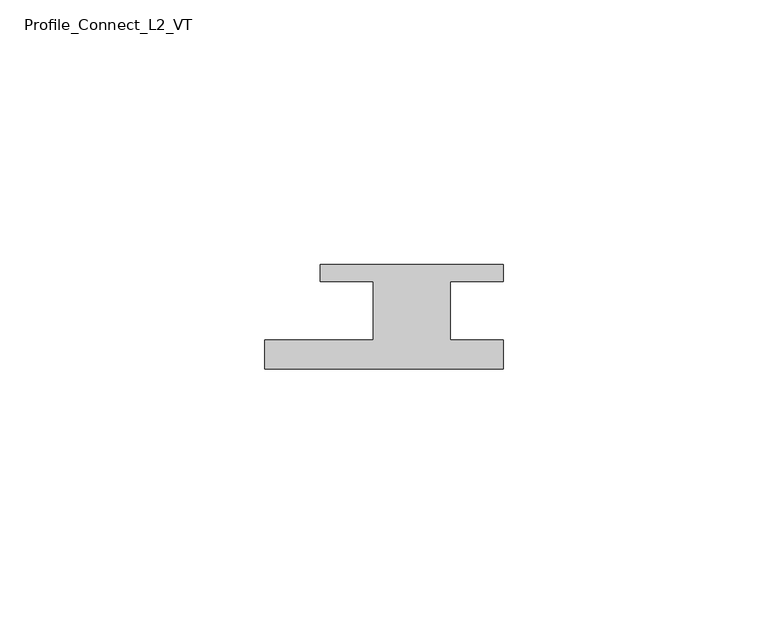
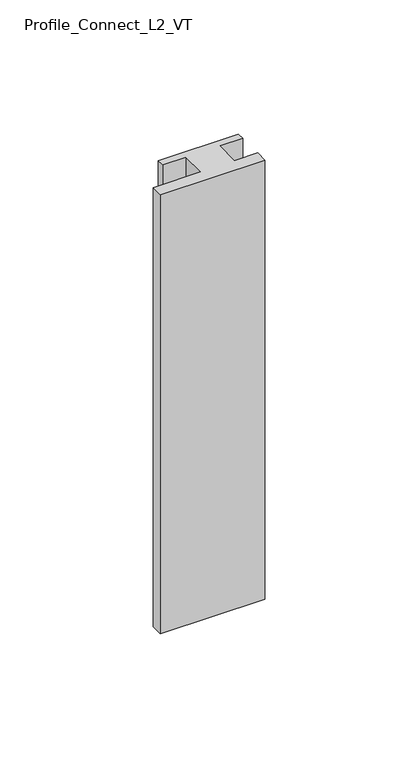
"""IFC4 building model written with IfcOpenShell, lengths in millimetres: member geometry, Profile_Connect_L2_VT."""

from ifc_helpers import new_model, si_unit, frame, origin, place, context, project, spatial, polyline, outline, extrude, source, transform, mapped, element, save


def profile_connect_l2_vt_5070fe08(model_context):
    return source(origin(), model_context, "Body", "SweptSolid", [
        extrude(outline(polyline([(-28.9, -5.5), (-8.4, -5.5), (-8.4, 5.5), (-18.4, 5.5), (-18.4, 8.7), (16.1, 8.7), (16.1, 5.5), (6.1, 5.5), (6.1, -5.5), (16.1, -5.5), (16.1, -11.0), (-28.9, -11.0), (-28.9, -5.5)])), frame((0.0, 0.0, -200.0), z_axis=(0.0, 0.0, 1.0), x_axis=(1.0, 0.0, 0.0)), (0.0, 0.0, 1.0), 200.0),
    ])


if __name__ == "__main__":
    model = new_model("IFC4")
    model_context = context("Model", 3, world=origin())
    ifc_project = project(units=[si_unit("LENGTHUNIT", "METRE", prefix="MILLI")], contexts=[model_context])
    site = spatial("IfcSite", under=ifc_project)
    building = spatial("IfcBuilding", under=site)
    placement = place(None, origin())
    profile_connect_l2_vt_shape = profile_connect_l2_vt_5070fe08(model_context)
    element("IfcMember", 1, ObjectType="Profile_Connect_L2_VT", at=placement, inside=building, context=model_context, shape_type="MappedRepresentation", body=[
        mapped(profile_connect_l2_vt_shape, transform((0.0, 0.0, 0.0), x_axis=(1.0, 0.0, 0.0), y_axis=(0.0, 1.0, 0.0), z_axis=(0.0, 0.0, 1.0))),
    ])
    save(model, "model.ifc")
